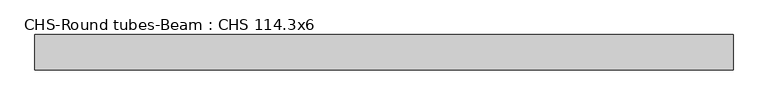
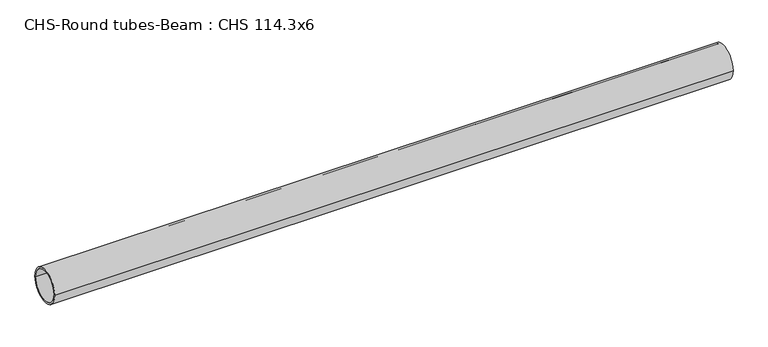
"""IFC4 building model written with IfcOpenShell, lengths in millimetres: beam geometry, CHS-Round tubes-Beam : CHS 114.3x6."""

from ifc_helpers import new_model, si_unit, point, frame, origin, origin_2d, place, context, project, spatial, circle_curve, trimmed, segment, composite_curve, outline, extrude, source, transform, mapped, element, save


def chs_round_tubes_beam_chs_114_3x6_3756ba6c(model_context):
    return source(origin(), model_context, "Body", "SweptSolid", [
        extrude(outline(composite_curve([segment(trimmed(circle_curve(origin_2d(), 57.15), [point((57.15, 0.0))], [point((-57.15, 0.0))], False, "CARTESIAN"), True, "CONTINUOUS"), segment(trimmed(circle_curve(origin_2d(), 57.15), [point((-57.15, 0.0))], [point((57.15, 0.0))], False, "CARTESIAN"), True, "CONTINUOUS")], self_intersect=False), holes=[composite_curve([segment(trimmed(circle_curve(origin_2d(), 51.15), [point((51.15, 0.0))], [point((-51.15, 0.0))], True, "CARTESIAN"), True, "CONTINUOUS"), segment(trimmed(circle_curve(origin_2d(), 51.15), [point((-51.15, 0.0))], [point((51.15, 0.0))], True, "CARTESIAN"), True, "CONTINUOUS")], self_intersect=False)]), frame((-1106.6947047, 0.0, 0.0), z_axis=(1.0, 0.0, 0.0), x_axis=(0.0, 1.0, 0.0)), (0.0, 0.0, 1.0), 2264.1208843),
    ])


if __name__ == "__main__":
    model = new_model("IFC4")
    model_context = context("Model", 3, world=origin())
    ifc_project = project(units=[si_unit("LENGTHUNIT", "METRE", prefix="MILLI")], contexts=[model_context])
    site = spatial("IfcSite", under=ifc_project)
    building = spatial("IfcBuilding", under=site)
    placement = place(None, origin())
    chs_round_tubes_beam_chs_114_3x6_shape = chs_round_tubes_beam_chs_114_3x6_3756ba6c(model_context)
    element("IfcBeam", 1, ObjectType="CHS-Round tubes-Beam : CHS 114.3x6", at=placement, inside=building, context=model_context, shape_type="MappedRepresentation", body=[
        mapped(chs_round_tubes_beam_chs_114_3x6_shape, transform((0.0, 0.0, 0.0), x_axis=(1.0, 0.0, 0.0), y_axis=(0.0, 1.0, 0.0), z_axis=(0.0, 0.0, 1.0))),
    ])
    save(model, "model.ifc")
